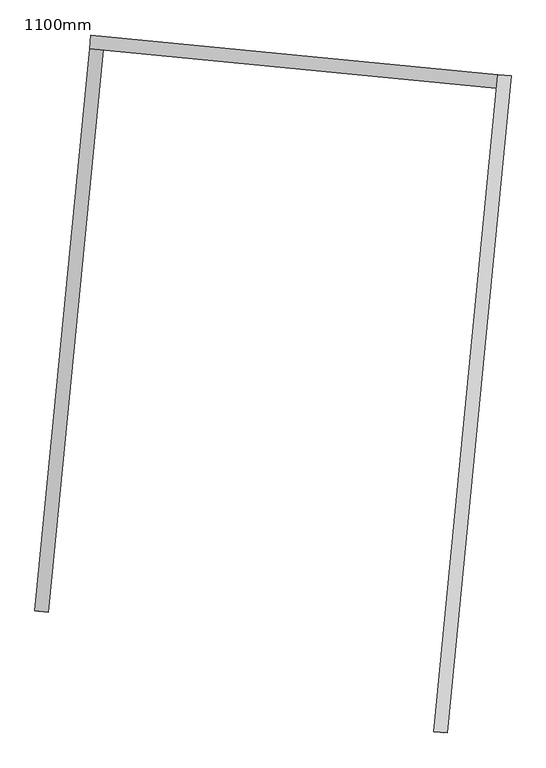
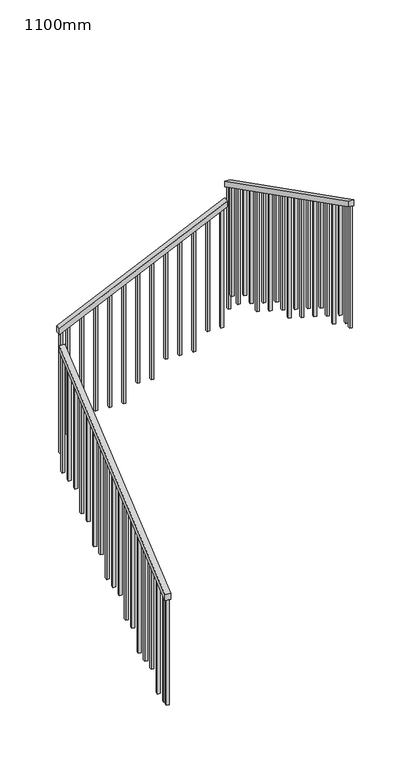
"""IFC4 building model written with IfcOpenShell, lengths in millimetres: railing geometry, 1100mm."""

from ifc_helpers import new_model, si_unit, frame, origin, place, context, project, spatial, polyline, outline, extrude, source, transform, mapped, element, save


def railing_1100mm_45fa961b(model_context):
    return source(origin(), model_context, "Body", "SweptSolid", [
        extrude(outline(polyline([(27.7777778, -50.0000001), (0.0, 0.0), (2374.1723104, 0.0), (2401.9500883, -50.0000001), (27.7777778, -50.0000001)])), frame((-285233.8927364, 23410.7490933, 9889.4687214), z_axis=(-0.9952945764558495, 0.09689533568532303, 0.0), x_axis=(0.0847017627115472, 0.8700439958930158, 0.4856429311789378)), (0.0, 0.0, 1.0), 50.0),
        extrude(outline(polyline([(27.7777778, -50.0), (0.0, 0.0), (1716.8535239, 0.0), (1744.6313017, -50.0), (27.7777778, -50.0)])), frame((-285082.5608855, 25481.228224, 11208.6909437), z_axis=(0.09689533568656869, 0.9952945764557282, 0.0), x_axis=(0.8700439958934217, -0.08470176271268628, 0.48564293117801205)), (0.0, 0.0, 1.0), 50.0),
        extrude(outline(polyline([(-27.7777778, -50.0), (0.0, 0.0), (2774.5579271, -1e-07), (2746.7801494, -50.0), (-27.7777778, -50.0)])), frame((-283534.2132896, 25380.7276663, 12265.8888889), z_axis=(-0.9952945764558306, 0.09689533568551668, 0.0), x_axis=(-0.08470176271175281, -0.8700439958933652, 0.485642931178276)), (0.0, 0.0, 1.0), 50.0),
        extrude(outline(polyline([(1260.6353881, -25.0), (106.9444445, -25.0), (93.0555556, 0.0), (1260.6353881, 0.0), (1260.6353881, -25.0)])), frame((-283774.3585106, 23042.9966033, 13607.3020548), z_axis=(-0.9952945764558311, 0.09689533568551122, 0.0), x_axis=(0.0, 0.0, -1.0)), (0.0, 0.0, 1.0), 25.0),
        extrude(outline(polyline([(1191.1909436, -25.0), (106.9444444, -25.0), (93.0555555, 0.0), (1191.1909436, 0.0), (1191.1909436, -25.0)])), frame((-283762.2465937, 23167.4084254, 13537.8576103), z_axis=(-0.9952945764558311, 0.09689533568551122, 0.0), x_axis=(0.0, 0.0, -1.0)), (0.0, 0.0, 1.0), 25.0),
        extrude(outline(polyline([(1288.4131659, -25.0), (106.9444445, -25.0), (93.0555556, 0.0), (1288.4131659, 0.0), (1288.4131659, -25.0)])), frame((-283750.1346767, 23291.8202474, 13468.4131659), z_axis=(-0.9952945764558311, 0.09689533568551122, 0.0), x_axis=(0.0, 0.0, -1.0)), (0.0, 0.0, 1.0), 25.0),
        extrude(outline(polyline([(1218.9687214, -25.0), (106.9444444, -25.0), (93.0555555, 0.0), (1218.9687214, 0.0), (1218.9687214, -25.0)])), frame((-283738.0227597, 23416.2320695, 13398.9687214), z_axis=(-0.9952945764558311, 0.09689533568551122, 0.0), x_axis=(0.0, 0.0, -1.0)), (0.0, 0.0, 1.0), 25.0),
        extrude(outline(polyline([(1149.524277, -25.0), (106.9444445, -25.0), (93.0555556, 0.0), (1149.524277, 0.0), (1149.524277, -25.0)])), frame((-283725.9108428, 23540.6438915, 13329.524277), z_axis=(-0.9952945764558311, 0.09689533568551122, 0.0), x_axis=(0.0, 0.0, -1.0)), (0.0, 0.0, 1.0), 25.0),
        extrude(outline(polyline([(1246.7464992, -25.0), (106.9444444, -25.0), (93.0555555, 0.0), (1246.7464992, 0.0), (1246.7464992, -25.0)])), frame((-283713.7989258, 23665.0557136, 13260.0798325), z_axis=(-0.9952945764558311, 0.09689533568551122, 0.0), x_axis=(0.0, 0.0, -1.0)), (0.0, 0.0, 1.0), 25.0),
        extrude(outline(polyline([(1177.3020548, -25.0), (106.9444444, -25.0), (93.0555555, 0.0), (1177.3020548, 0.0), (1177.3020548, -25.0)])), frame((-283701.6870089, 23789.4675356, 13190.6353881), z_axis=(-0.9952945764558311, 0.09689533568551122, 0.0), x_axis=(0.0, 0.0, -1.0)), (0.0, 0.0, 1.0), 25.0),
        extrude(outline(polyline([(1274.524277, -25.0), (106.9444445, -25.0), (93.0555556, 0.0), (1274.524277, 0.0), (1274.524277, -25.0)])), frame((-283689.5750919, 23913.8793577, 13121.1909437), z_axis=(-0.9952945764558311, 0.09689533568551122, 0.0), x_axis=(0.0, 0.0, -1.0)), (0.0, 0.0, 1.0), 25.0),
        extrude(outline(polyline([(1205.0798325, -25.0), (106.9444444, -25.0), (93.0555555, 0.0), (1205.0798325, 0.0), (1205.0798325, -25.0)])), frame((-283677.4631749, 24038.2911798, 13051.7464992), z_axis=(-0.9952945764558311, 0.09689533568551122, 0.0), x_axis=(0.0, 0.0, -1.0)), (0.0, 0.0, 1.0), 25.0),
        extrude(outline(polyline([(1302.3020548, -25.0), (106.9444445, -25.0), (93.0555556, 0.0), (1302.3020548, 0.0), (1302.3020548, -25.0)])), frame((-283665.351258, 24162.7030018, 12982.3020548), z_axis=(-0.9952945764558311, 0.09689533568551122, 0.0), x_axis=(0.0, 0.0, -1.0)), (0.0, 0.0, 1.0), 25.0),
        extrude(outline(polyline([(1232.8576103, -25.0), (106.9444444, -25.0), (93.0555555, 0.0), (1232.8576103, 0.0), (1232.8576103, -25.0)])), frame((-283653.239341, 24287.1148239, 12912.8576103), z_axis=(-0.9952945764558311, 0.09689533568551122, 0.0), x_axis=(0.0, 0.0, -1.0)), (0.0, 0.0, 1.0), 25.0),
        extrude(outline(polyline([(1163.4131659, -25.0), (106.9444445, -25.0), (93.0555556, 0.0), (1163.4131659, 0.0), (1163.4131659, -25.0)])), frame((-283641.1274241, 24411.5266459, 12843.4131659), z_axis=(-0.9952945764558311, 0.09689533568551122, 0.0), x_axis=(0.0, 0.0, -1.0)), (0.0, 0.0, 1.0), 25.0),
        extrude(outline(polyline([(1260.6353881, -25.0), (106.9444444, -25.0), (93.0555555, 0.0), (1260.6353881, 0.0), (1260.6353881, -25.0)])), frame((-283629.0155071, 24535.938468, 12773.9687214), z_axis=(-0.9952945764558311, 0.09689533568551122, 0.0), x_axis=(0.0, 0.0, -1.0)), (0.0, 0.0, 1.0), 25.0),
        extrude(outline(polyline([(1191.1909437, -25.0), (106.9444445, -25.0), (93.0555556, 0.0), (1191.1909437, 0.0), (1191.1909437, -25.0)])), frame((-283616.9035901, 24660.35029, 12704.524277), z_axis=(-0.9952945764558311, 0.09689533568551122, 0.0), x_axis=(0.0, 0.0, -1.0)), (0.0, 0.0, 1.0), 25.0),
        extrude(outline(polyline([(1288.4131658, -25.0), (106.9444444, -25.0), (93.0555555, 0.0), (1288.4131658, 0.0), (1288.4131658, -25.0)])), frame((-283604.7916732, 24784.7621121, 12635.0798325), z_axis=(-0.9952945764558311, 0.09689533568551122, 0.0), x_axis=(0.0, 0.0, -1.0)), (0.0, 0.0, 1.0), 25.0),
        extrude(outline(polyline([(1218.9687214, -25.0000001), (106.9444444, -25.0000001), (93.0555556, 0.0), (1218.9687214, 0.0), (1218.9687214, -25.0000001)])), frame((-283592.6797562, 24909.1739341, 12565.6353881), z_axis=(-0.9952945764558311, 0.09689533568551122, 0.0), x_axis=(0.0, 0.0, -1.0)), (0.0, 0.0, 1.0), 25.0),
        extrude(outline(polyline([(1149.524277, -25.0), (106.9444445, -25.0), (93.0555556, 0.0), (1149.524277, 0.0), (1149.524277, -25.0)])), frame((-283580.5678393, 25033.5857562, 12496.1909437), z_axis=(-0.9952945764558311, 0.09689533568551122, 0.0), x_axis=(0.0, 0.0, -1.0)), (0.0, 0.0, 1.0), 25.0),
        extrude(outline(polyline([(1246.7464992, -25.0), (106.9444444, -25.0), (93.0555555, 0.0), (1246.7464992, 0.0), (1246.7464992, -25.0)])), frame((-283568.4559223, 25157.9975783, 12426.7464992), z_axis=(-0.9952945764558311, 0.09689533568551122, 0.0), x_axis=(0.0, 0.0, -1.0)), (0.0, 0.0, 1.0), 25.0),
        extrude(outline(polyline([(1177.3020548, -25.0), (106.9444445, -25.0), (93.0555556, 0.0), (1177.3020548, 0.0), (1177.3020548, -25.0)])), frame((-283556.3440053, 25282.4094003, 12357.3020548), z_axis=(-0.9952945764558311, 0.09689533568551122, 0.0), x_axis=(0.0, 0.0, -1.0)), (0.0, 0.0, 1.0), 25.0),
        extrude(outline(polyline([(106.9444445, 0.0), (1274.524277, 0.0), (1274.524277, -25.0), (93.0555556, -25.0), (106.9444445, 0.0)])), frame((-283638.172558, 25353.1711695, 12121.1909437), z_axis=(0.09689533568656906, 0.995294576455728, 0.0), x_axis=(0.0, 0.0, -1.0)), (0.0, 0.0, 1.0), 25.0),
        extrude(outline(polyline([(106.9444444, 0.0), (1205.0798325, 0.0), (1205.0798325, -25.0), (93.0555555, -25.0), (106.9444444, 0.0)])), frame((-283762.58438, 25365.2830865, 12051.7464992), z_axis=(0.09689533568656906, 0.995294576455728, 0.0), x_axis=(0.0, 0.0, -1.0)), (0.0, 0.0, 1.0), 25.0),
        extrude(outline(polyline([(106.9444445, 0.0), (1302.3020548, 0.0), (1302.3020548, -25.0), (93.0555556, -25.0), (106.9444445, 0.0)])), frame((-283886.9962021, 25377.3950034, 11982.3020548), z_axis=(0.09689533568656906, 0.995294576455728, 0.0), x_axis=(0.0, 0.0, -1.0)), (0.0, 0.0, 1.0), 25.0),
        extrude(outline(polyline([(106.9444444, 0.0), (1232.8576103, 0.0), (1232.8576103, -25.0), (93.0555555, -25.0), (106.9444444, 0.0)])), frame((-284011.4080241, 25389.5069204, 11912.8576103), z_axis=(0.09689533568656906, 0.995294576455728, 0.0), x_axis=(0.0, 0.0, -1.0)), (0.0, 0.0, 1.0), 25.0),
        extrude(outline(polyline([(106.9444445, 0.0), (1163.4131659, 0.0), (1163.4131659, -25.0), (93.0555556, -25.0), (106.9444445, 0.0)])), frame((-284135.8198462, 25401.6188373, 11843.4131659), z_axis=(0.09689533568656906, 0.995294576455728, 0.0), x_axis=(0.0, 0.0, -1.0)), (0.0, 0.0, 1.0), 25.0),
        extrude(outline(polyline([(106.9444444, 0.0), (1260.6353881, 0.0), (1260.6353881, -25.0), (93.0555555, -25.0), (106.9444444, 0.0)])), frame((-284260.2316682, 25413.7307543, 11773.9687214), z_axis=(0.09689533568656906, 0.995294576455728, 0.0), x_axis=(0.0, 0.0, -1.0)), (0.0, 0.0, 1.0), 25.0),
        extrude(outline(polyline([(106.9444445, 0.0), (1191.1909437, 0.0), (1191.1909437, -25.0), (93.0555556, -25.0), (106.9444445, 0.0)])), frame((-284384.6434903, 25425.8426713, 11704.524277), z_axis=(0.09689533568656906, 0.995294576455728, 0.0), x_axis=(0.0, 0.0, -1.0)), (0.0, 0.0, 1.0), 25.0),
        extrude(outline(polyline([(106.9444444, 0.0), (1288.4131658, 0.0), (1288.4131658, -25.0000001), (93.0555555, -25.0000001), (106.9444444, 0.0)])), frame((-284509.0553124, 25437.9545882, 11635.0798325), z_axis=(0.09689533568656906, 0.995294576455728, 0.0), x_axis=(0.0, 0.0, -1.0)), (0.0, 0.0, 1.0), 25.0),
        extrude(outline(polyline([(106.9444444, 0.0), (1218.9687214, 0.0), (1218.9687214, -25.0), (93.0555556, -25.0), (106.9444444, 0.0)])), frame((-284633.4671344, 25450.0665052, 11565.6353881), z_axis=(0.09689533568656906, 0.995294576455728, 0.0), x_axis=(0.0, 0.0, -1.0)), (0.0, 0.0, 1.0), 25.0),
        extrude(outline(polyline([(106.9444445, 0.0), (1149.524277, 0.0), (1149.524277, -25.0), (93.0555556, -25.0), (106.9444445, 0.0)])), frame((-284757.8789565, 25462.1784221, 11496.1909437), z_axis=(0.09689533568656906, 0.995294576455728, 0.0), x_axis=(0.0, 0.0, -1.0)), (0.0, 0.0, 1.0), 25.0),
        extrude(outline(polyline([(106.9444444, 0.0), (1246.7464992, 0.0), (1246.7464992, -25.0), (93.0555555, -25.0), (106.9444444, 0.0)])), frame((-284882.2907785, 25474.2903391, 11426.7464992), z_axis=(0.09689533568656906, 0.995294576455728, 0.0), x_axis=(0.0, 0.0, -1.0)), (0.0, 0.0, 1.0), 25.0),
        extrude(outline(polyline([(106.9444445, 0.0), (1177.3020548, 0.0), (1177.3020548, -25.0), (93.0555556, -25.0), (106.9444445, 0.0)])), frame((-285006.7026006, 25486.4022561, 11357.3020548), z_axis=(0.09689533568656906, 0.995294576455728, 0.0), x_axis=(0.0, 0.0, -1.0)), (0.0, 0.0, 1.0), 25.0),
        extrude(outline(polyline([(106.9444445, 0.0), (1288.6353881, 0.0), (1288.6353881, -25.0), (93.0555556, -25.0), (106.9444445, 0.0)])), frame((-285047.6984804, 25452.3141667, 11135.3020548), z_axis=(-0.9952945764558497, 0.09689533568531952, 0.0), x_axis=(0.0, 0.0, -1.0)), (0.0, 0.0, 1.0), 25.0),
        extrude(outline(polyline([(106.9444444, 0.0), (1219.1909436, 0.0), (1219.1909436, -25.0000001), (93.0555555, -25.0000001), (106.9444444, 0.0)])), frame((-285059.8103974, 25327.9023446, 11065.8576103), z_axis=(-0.9952945764558497, 0.09689533568531952, 0.0), x_axis=(0.0, 0.0, -1.0)), (0.0, 0.0, 1.0), 25.0),
        extrude(outline(polyline([(106.9444445, 0.0), (1149.7464992, 0.0), (1149.7464992, -25.0), (93.0555556, -25.0), (106.9444445, 0.0)])), frame((-285071.9223144, 25203.4905226, 10996.4131659), z_axis=(-0.9952945764558497, 0.09689533568531952, 0.0), x_axis=(0.0, 0.0, -1.0)), (0.0, 0.0, 1.0), 25.0),
        extrude(outline(polyline([(106.9444444, 0.0), (1246.9687214, 0.0), (1246.9687214, -25.0), (93.0555555, -25.0), (106.9444444, 0.0)])), frame((-285084.0342313, 25079.0787005, 10926.9687214), z_axis=(-0.9952945764558497, 0.09689533568531952, 0.0), x_axis=(0.0, 0.0, -1.0)), (0.0, 0.0, 1.0), 25.0),
        extrude(outline(polyline([(106.9444445, 0.0), (1177.524277, 0.0), (1177.524277, -25.0), (93.0555556, -25.0), (106.9444445, 0.0)])), frame((-285096.1461483, 24954.6668785, 10857.524277), z_axis=(-0.9952945764558497, 0.09689533568531952, 0.0), x_axis=(0.0, 0.0, -1.0)), (0.0, 0.0, 1.0), 25.0),
        extrude(outline(polyline([(106.9444444, 0.0), (1274.7464992, 0.0), (1274.7464992, -25.0), (93.0555555, -25.0), (106.9444444, 0.0)])), frame((-285108.2580652, 24830.2550564, 10788.0798325), z_axis=(-0.9952945764558497, 0.09689533568531952, 0.0), x_axis=(0.0, 0.0, -1.0)), (0.0, 0.0, 1.0), 25.0),
        extrude(outline(polyline([(106.9444444, 0.0), (1205.3020548, 0.0), (1205.3020548, -25.0), (93.0555556, -25.0), (106.9444444, 0.0)])), frame((-285120.3699822, 24705.8432344, 10718.6353881), z_axis=(-0.9952945764558497, 0.09689533568531952, 0.0), x_axis=(0.0, 0.0, -1.0)), (0.0, 0.0, 1.0), 25.0),
        extrude(outline(polyline([(106.9444445, 0.0), (1302.524277, 0.0), (1302.524277, -25.0), (93.0555556, -25.0), (106.9444445, 0.0)])), frame((-285132.4818992, 24581.4314123, 10649.1909437), z_axis=(-0.9952945764558497, 0.09689533568531952, 0.0), x_axis=(0.0, 0.0, -1.0)), (0.0, 0.0, 1.0), 25.0),
        extrude(outline(polyline([(106.9444444, 0.0), (1233.0798325, 0.0), (1233.0798325, -25.0000001), (93.0555555, -25.0000001), (106.9444444, 0.0)])), frame((-285144.5938161, 24457.0195902, 10579.7464992), z_axis=(-0.9952945764558497, 0.09689533568531952, 0.0), x_axis=(0.0, 0.0, -1.0)), (0.0, 0.0, 1.0), 25.0),
        extrude(outline(polyline([(106.9444445, 0.0), (1163.6353881, 0.0), (1163.6353881, -25.0), (93.0555556, -25.0), (106.9444445, 0.0)])), frame((-285156.7057331, 24332.6077682, 10510.3020548), z_axis=(-0.9952945764558497, 0.09689533568531952, 0.0), x_axis=(0.0, 0.0, -1.0)), (0.0, 0.0, 1.0), 25.0),
        extrude(outline(polyline([(106.9444444, 0.0), (1260.8576103, 0.0), (1260.8576103, -25.0), (93.0555555, -25.0), (106.9444444, 0.0)])), frame((-285168.81765, 24208.1959461, 10440.8576103), z_axis=(-0.9952945764558497, 0.09689533568531952, 0.0), x_axis=(0.0, 0.0, -1.0)), (0.0, 0.0, 1.0), 25.0),
        extrude(outline(polyline([(106.9444445, 0.0), (1191.4131659, 0.0), (1191.4131659, -25.0), (93.0555556, -25.0), (106.9444445, 0.0)])), frame((-285180.929567, 24083.7841241, 10371.4131659), z_axis=(-0.9952945764558497, 0.09689533568531952, 0.0), x_axis=(0.0, 0.0, -1.0)), (0.0, 0.0, 1.0), 25.0),
        extrude(outline(polyline([(106.9444444, 0.0), (1288.6353881, 0.0), (1288.6353881, -25.0), (93.0555555, -25.0), (106.9444444, 0.0)])), frame((-285193.041484, 23959.372302, 10301.9687214), z_axis=(-0.9952945764558497, 0.09689533568531952, 0.0), x_axis=(0.0, 0.0, -1.0)), (0.0, 0.0, 1.0), 25.0),
        extrude(outline(polyline([(106.9444445, 0.0), (1219.1909437, 0.0), (1219.1909437, -25.0), (93.0555556, -25.0), (106.9444445, 0.0)])), frame((-285205.1534009, 23834.96048, 10232.524277), z_axis=(-0.9952945764558497, 0.09689533568531952, 0.0), x_axis=(0.0, 0.0, -1.0)), (0.0, 0.0, 1.0), 25.0),
        extrude(outline(polyline([(106.9444444, 0.0), (1149.7464992, 0.0), (1149.7464992, -25.0), (93.0555555, -25.0), (106.9444444, 0.0)])), frame((-285217.2653179, 23710.5486579, 10163.0798325), z_axis=(-0.9952945764558497, 0.09689533568531952, 0.0), x_axis=(0.0, 0.0, -1.0)), (0.0, 0.0, 1.0), 25.0),
        extrude(outline(polyline([(106.9444444, 0.0), (1246.9687214, 0.0), (1246.9687214, -25.0000001), (93.0555556, -25.0000001), (106.9444444, 0.0)])), frame((-285229.3772348, 23586.1368358, 10093.6353881), z_axis=(-0.9952945764558497, 0.09689533568531952, 0.0), x_axis=(0.0, 0.0, -1.0)), (0.0, 0.0, 1.0), 25.0),
        extrude(outline(polyline([(106.9444445, 0.0), (1177.524277, 0.0), (1177.524277, -25.0), (93.0555556, -25.0), (106.9444445, 0.0)])), frame((-285241.4891518, 23461.7250138, 10024.1909437), z_axis=(-0.9952945764558497, 0.09689533568531952, 0.0), x_axis=(0.0, 0.0, -1.0)), (0.0, 0.0, 1.0), 25.0),
        extrude(outline(polyline([(1309.2464993, -25.0000001), (106.9444445, -25.0000001), (93.0555556, 0.0), (1309.2464993, 0.0), (1309.2464993, -25.0000001)])), frame((-283550.2880469, 25344.6153113, 12322.5798326), z_axis=(-0.9952945764558311, 0.09689533568551122, 0.0), x_axis=(0.0, 0.0, -1.0)), (0.0, 0.0, 1.0), 25.0),
        extrude(outline(polyline([(106.9444445, 0.0), (1309.2464993, 0.0), (1309.2464993, -25.0), (93.0555556, -25.0), (106.9444445, 0.0)])), frame((-285068.9085116, 25492.4582145, 11322.5798326), z_axis=(0.09689533568656906, 0.995294576455728, 0.0), x_axis=(0.0, 0.0, -1.0)), (0.0, 0.0, 1.0), 25.0),
        extrude(outline(polyline([(1302.524277, -25.0), (106.9444445, -25.0), (93.0555556, 0.0), (1302.524277, 0.0), (1302.524277, -25.0)])), frame((-283781.6644189, 22967.9513922, 13649.1909437), z_axis=(-0.9952945764558311, 0.09689533568551122, 0.0), x_axis=(0.0, 0.0, -1.0)), (0.0, 0.0, 1.0), 25.0),
        extrude(outline(polyline([(106.9444445, 0.0), (1149.7464992, 0.0), (1149.7464992, -25.0), (93.0555556, -25.0), (106.9444445, 0.0)])), frame((-285246.3339186, 23411.960285, 9996.4131659), z_axis=(-0.9952945764558497, 0.09689533568531952, 0.0), x_axis=(0.0, 0.0, -1.0)), (0.0, 0.0, 1.0), 25.0),
    ])


if __name__ == "__main__":
    model = new_model("IFC4")
    model_context = context("Model", 3, world=origin())
    ifc_project = project(units=[si_unit("LENGTHUNIT", "METRE", prefix="MILLI")], contexts=[model_context])
    site = spatial("IfcSite", under=ifc_project)
    building = spatial("IfcBuilding", under=site)
    placement = place(None, origin())
    railing_1100mm_shape = railing_1100mm_45fa961b(model_context)
    element("IfcRailing", 1, ObjectType="1100mm", at=placement, inside=building, context=model_context, shape_type="MappedRepresentation", body=[
        mapped(railing_1100mm_shape, transform((0.0, 0.0, 0.0), x_axis=(1.0, 0.0, 0.0), y_axis=(0.0, 1.0, 0.0), z_axis=(0.0, 0.0, 1.0))),
    ])
    save(model, "model.ifc")
